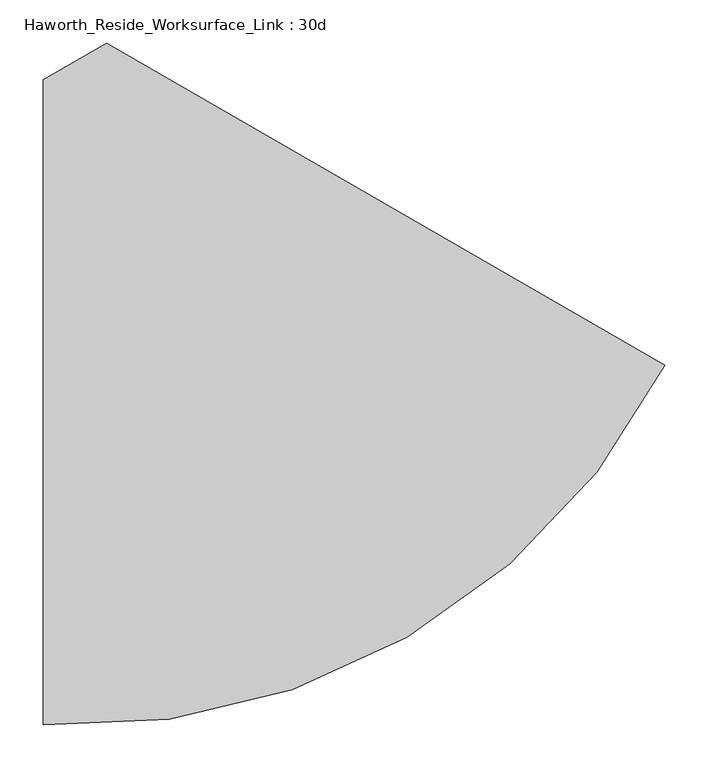
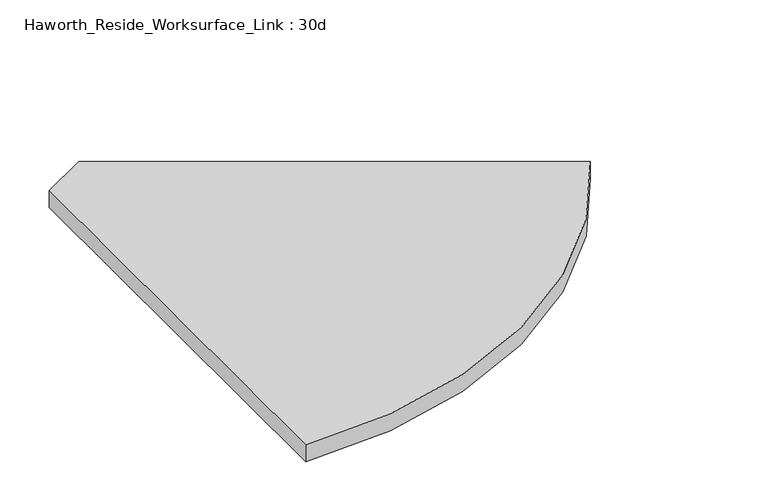
"""IFC4 building model written with IfcOpenShell, lengths in millimetres: furniture geometry, Haworth_Reside_Worksurface_Link : 30d."""

from ifc_helpers import new_model, si_unit, point, frame, frame_2d, origin, place, context, project, spatial, polyline, circle_curve, trimmed, segment, composite_curve, outline, extrude, source, transform, mapped, element, save


def haworth_reside_worksurface_link_30d_7f80a78a(model_context):
    return source(origin(), model_context, "Body", "SweptSolid", [
        extrude(outline(composite_curve([segment(polyline([(16.942181, -673.8278802), (16.942181, 76.2), (91.0613167, 118.6231212), (739.7328493, -255.8875628)]), True, "CONTINUOUS"), segment(trimmed(circle_curve(frame_2d((56.6661624, 91.4443205)), 766.3025093), [point((739.7328493, -255.8875628))], [point((16.942181, -673.8278802))], False, "CARTESIAN"), True, "CONTINUOUS")], self_intersect=False)), frame((0.0, 0.0, 731.8375), z_axis=(0.0, 0.0, 1.0), x_axis=(1.0, 0.0, 0.0)), (0.0, 0.0, 1.0), 30.1625),
    ])


if __name__ == "__main__":
    model = new_model("IFC4")
    model_context = context("Model", 3, world=origin())
    ifc_project = project(units=[si_unit("LENGTHUNIT", "METRE", prefix="MILLI")], contexts=[model_context])
    site = spatial("IfcSite", under=ifc_project)
    building = spatial("IfcBuilding", under=site)
    placement = place(None, origin())
    haworth_reside_worksurface_link_30d_shape = haworth_reside_worksurface_link_30d_7f80a78a(model_context)
    element("IfcFurniture", 1, ObjectType="Haworth_Reside_Worksurface_Link : 30d", at=placement, inside=building, context=model_context, shape_type="MappedRepresentation", body=[
        mapped(haworth_reside_worksurface_link_30d_shape, transform((0.0, 0.0, 0.0), x_axis=(1.0, 0.0, 0.0), y_axis=(0.0, 1.0, 0.0), z_axis=(0.0, 0.0, 1.0))),
    ])
    save(model, "model.ifc")
